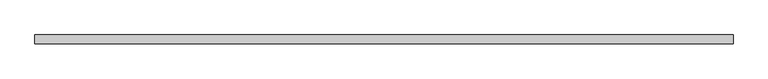
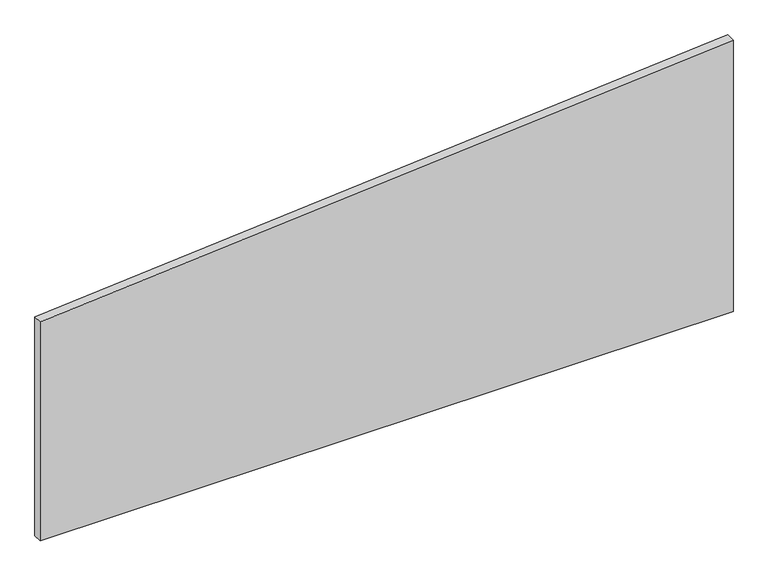
"""IFC4 building model written with IfcOpenShell, lengths in millimetres: plate geometry."""

from ifc_helpers import new_model, si_unit, frame, origin, place, context, project, spatial, polyline, outline, extrude, source, transform, mapped, element, save


def plate_fee500e6(model_context):
    return source(origin(), model_context, "Body", "SweptSolid", [
        extrude(outline(polyline([(0.0, -975.0), (0.0, 975.0), (808.2118109, 975.0), (651.5261376, -975.0), (0.0, -975.0)])), frame((0.0, 24.5, 0.0), z_axis=(0.0, 1.0, 0.0), x_axis=(0.0, 0.0, 1.0)), (0.0, 0.0, 1.0), 25.0),
    ])


if __name__ == "__main__":
    model = new_model("IFC4")
    model_context = context("Model", 3, world=origin())
    ifc_project = project(units=[si_unit("LENGTHUNIT", "METRE", prefix="MILLI")], contexts=[model_context])
    site = spatial("IfcSite", under=ifc_project)
    building = spatial("IfcBuilding", under=site)
    placement = place(None, origin())
    plate_shape = plate_fee500e6(model_context)
    element("IfcPlate", 1, at=placement, inside=building, context=model_context, shape_type="MappedRepresentation", body=[
        mapped(plate_shape, transform((0.0, 0.0, 0.0), x_axis=(1.0, 0.0, 0.0), y_axis=(0.0, 1.0, 0.0), z_axis=(0.0, 0.0, 1.0))),
    ])
    save(model, "model.ifc")
